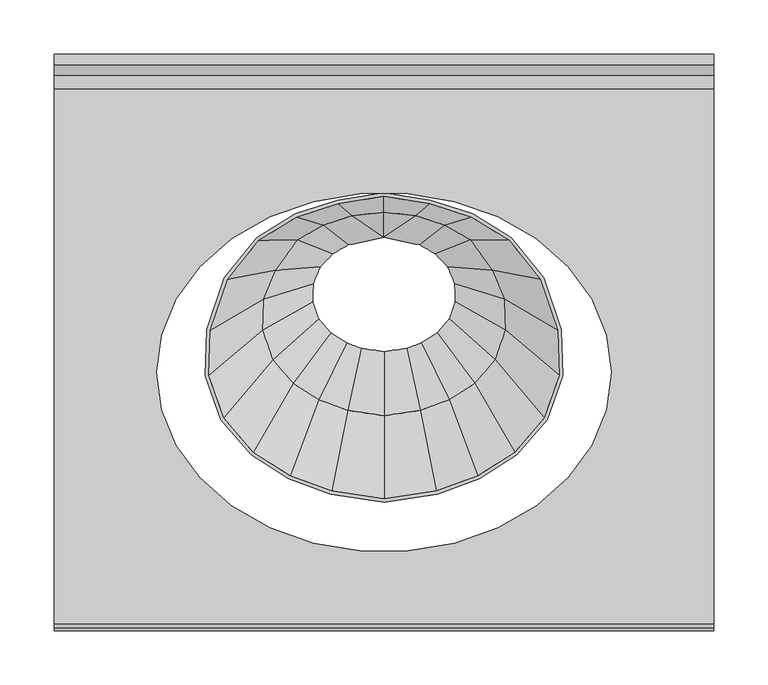
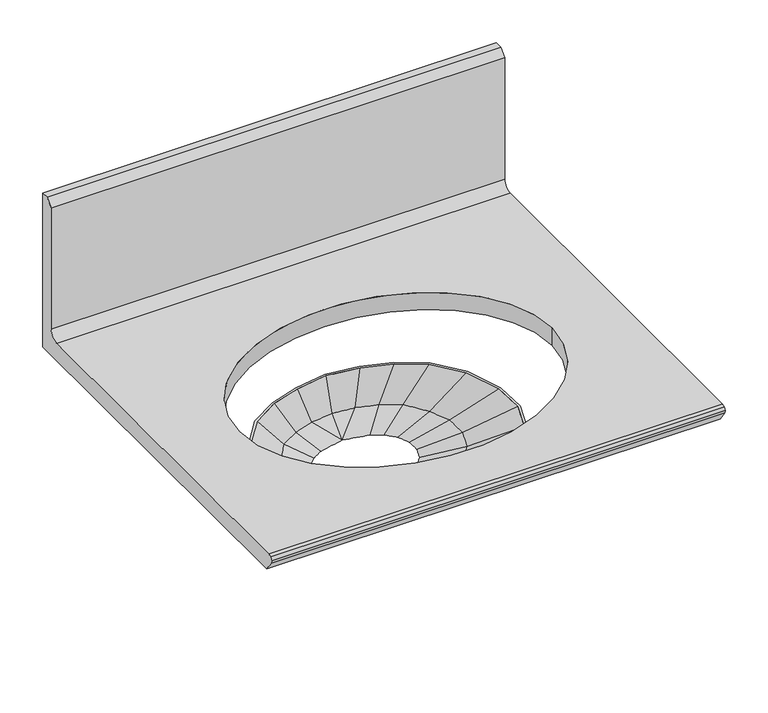
"""IFC4 building model written with IfcOpenShell, lengths in millimetres: furniture geometry."""

import ifcopenshell
import ifcopenshell.guid

model = None  # the IFC model being written
_history = None  # IfcOwnerHistory: only IFC2X3 demands one
_inside = {}  # id of a spatial element -> (the spatial element, [elements in it])
_under = {}  # id of a project, library or spatial element -> (it, [spatial elements below it])
_declared = {}  # id of a project -> (the project, [libraries it declares])
_typed = {}  # id of a type object -> (the type object, [elements of that type])
_made_of = {}  # id of a material, layer set ... -> (it, [elements and type objects made of it])


def new_model(schema):
    """Start an empty IFC model of exactly this schema.

    Asked for "IFC4X3", IfcOpenShell would pick the latest addendum, in which some entities
    have other attributes; the version numbers below select the first issue.
    IFC2X3 requires an IfcOwnerHistory on every rooted entity: one is made here for all.
    """
    global model, _history
    if schema == "IFC4X3":
        model = ifcopenshell.file(schema_version=(4, 3, 0, 0))
    else:
        model = ifcopenshell.file(schema=schema)
    _inside.clear()
    _under.clear()
    _declared.clear()
    _typed.clear()
    _made_of.clear()
    _history = None
    if model.schema == "IFC2X3":
        org = make("IfcOrganization", Name="unknown")
        user = make(
            "IfcPersonAndOrganization",
            ThePerson=make("IfcPerson", FamilyName="unknown"),
            TheOrganization=org,
        )
        app = make(
            "IfcApplication",
            ApplicationDeveloper=org,
            Version="unknown",
            ApplicationFullName="unknown",
            ApplicationIdentifier="unknown",
        )
        _history = make(
            "IfcOwnerHistory",
            OwningUser=user,
            OwningApplication=app,
            ChangeAction="ADDED",
            CreationDate=0,
        )
    return model


def make(cls, **values):
    """One entity of the class cls with the attributes given. An attribute that is None is left unset."""
    return model.create_entity(
        cls, **{name: value for name, value in values.items() if value is not None}
    )


def rooted(cls, **values):
    """An entity with a GlobalId (a new one), such as an element, a storey or a relation."""
    return make(cls, GlobalId=ifcopenshell.guid.new(), OwnerHistory=_history, **values)


def si_unit(unit_type, name, prefix=None):
    """IfcSIUnit, for example si_unit("LENGTHUNIT", "METRE", prefix="MILLI")."""
    return make("IfcSIUnit", UnitType=unit_type, Prefix=prefix, Name=name)


def assignment(units):
    """IfcUnitAssignment: the units of a project."""
    return None if units is None else make("IfcUnitAssignment", Units=units)


def point(xyz):
    """IfcCartesianPoint."""
    return None if xyz is None else make("IfcCartesianPoint", Coordinates=xyz)


def direction(xyz):
    """IfcDirection."""
    return None if xyz is None else make("IfcDirection", DirectionRatios=xyz)


def frame(location, z_axis=None, x_axis=None):
    """IfcAxis2Placement3D, a coordinate frame: its origin and axes. An axis left out is left unset."""
    return make(
        "IfcAxis2Placement3D",
        Location=point(location),
        Axis=direction(z_axis),
        RefDirection=direction(x_axis),
    )


def origin():
    """The frame at (0, 0, 0) with its axes left unset."""
    return frame((0.0, 0.0, 0.0))


def place(relative_to, where):
    """IfcLocalPlacement: puts the frame where relative to a parent placement (None: the world)."""
    return make(
        "IfcLocalPlacement", PlacementRelTo=relative_to, RelativePlacement=where
    )


def context(
    kind, dimensions, precision=None, world=None, true_north=None, identifier=None
):
    """IfcGeometricRepresentationContext, for example the 3D "Model" context."""
    return make(
        "IfcGeometricRepresentationContext",
        ContextIdentifier=identifier,
        ContextType=kind,
        CoordinateSpaceDimension=dimensions,
        Precision=precision,
        WorldCoordinateSystem=world,
        TrueNorth=true_north,
    )


def project(units=None, contexts=None):
    """IfcProject with its units and contexts."""
    return rooted(
        "IfcProject",
        Name="project",
        RepresentationContexts=contexts,
        UnitsInContext=assignment(units),
    )


def spatial(cls, under=None, at=None, **own):
    """A site, building, storey or space (cls), placed at a placement, below another one or the project."""
    s = rooted(cls, ObjectPlacement=at, **own)
    if under is not None:
        _under.setdefault(under.id(), (under, []))[1].append(s)
    return s


def polyline(points):
    """IfcPolyline through the points."""
    return make("IfcPolyline", Points=[point(p) for p in points])


def circle_curve(where, radius):
    """IfcCircle in the frame where."""
    return make("IfcCircle", Position=where, Radius=radius)


def ellipse_curve(where, semi_axis1, semi_axis2):
    """IfcEllipse in the frame where."""
    return make(
        "IfcEllipse", Position=where, SemiAxis1=semi_axis1, SemiAxis2=semi_axis2
    )


def trimmed(basis, trim1, trim2, sense, master):
    """IfcTrimmedCurve: the piece of a basis curve between two trims."""
    return make(
        "IfcTrimmedCurve",
        BasisCurve=basis,
        Trim1=trim1,
        Trim2=trim2,
        SenseAgreement=sense,
        MasterRepresentation=master,
    )


def shape(context_of_items, identifier, shape_type, items):
    """IfcShapeRepresentation: the items that make up one representation, for example the "Body"."""
    return make(
        "IfcShapeRepresentation",
        ContextOfItems=context_of_items,
        RepresentationIdentifier=identifier,
        RepresentationType=shape_type,
        Items=items,
    )


def source(mapping_origin, context_of_items, identifier, shape_type, items):
    """IfcRepresentationMap: a shape defined once, which mapped items show again and again."""
    return make(
        "IfcRepresentationMap",
        MappingOrigin=mapping_origin,
        MappedRepresentation=shape(context_of_items, identifier, shape_type, items),
    )


def transform(
    local_origin,
    x_axis=None,
    y_axis=None,
    z_axis=None,
    scale=None,
    scale2=None,
    scale3=None,
    uniform=True,
):
    """IfcCartesianTransformationOperator3D, or its non-uniform kind. x_axis, y_axis, z_axis: its Axis1, 2, 3."""
    if uniform:
        return make(
            "IfcCartesianTransformationOperator3D",
            Axis1=direction(x_axis),
            Axis2=direction(y_axis),
            LocalOrigin=point(local_origin),
            Scale=scale,
            Axis3=direction(z_axis),
        )
    return make(
        "IfcCartesianTransformationOperator3DnonUniform",
        Axis1=direction(x_axis),
        Axis2=direction(y_axis),
        LocalOrigin=point(local_origin),
        Scale=scale,
        Axis3=direction(z_axis),
        Scale2=scale2,
        Scale3=scale3,
    )


def mapped(mapping_source, mapping_target):
    """IfcMappedItem: shows the shape of a source again, moved by a transform."""
    return make(
        "IfcMappedItem", MappingSource=mapping_source, MappingTarget=mapping_target
    )


def made_of(thing, what):
    """Note that an element or type object is made of a material, layer set ...; save() writes the relation."""
    if what is not None:
        _made_of.setdefault(what.id(), (what, []))[1].append(thing)
    return thing


def element(
    cls,
    number,
    at=None,
    inside=None,
    cuts=None,
    type_object=None,
    material=None,
    context=None,
    identifier="Body",
    shape_type=None,
    held_by="IfcProductDefinitionShape",
    body=None,
    shapes=None,
    **own,
):
    """One element of the class cls, such as IfcWall. Its Tag is "e" and its number.

    at: its placement. inside: the storey or other place that contains it. cuts: it is an
    opening in that element (IfcRelVoidsElement). A single representation is given by context,
    identifier, shape_type and body (its items); several are given by shapes. held_by: the class
    of the entity that holds the representations. save() writes the other relations.
    """
    e = rooted(cls, Tag="e%d" % number, ObjectPlacement=at, **own)
    if body is not None:
        shapes = [shape(context, identifier, shape_type, body)]
    if shapes is not None:
        e.Representation = make(held_by, Representations=shapes)
    if inside is not None:
        _inside.setdefault(inside.id(), (inside, []))[1].append(e)
    if cuts is not None:
        rooted(
            "IfcRelVoidsElement", RelatingBuildingElement=cuts, RelatedOpeningElement=e
        )
    if type_object is not None:
        _typed.setdefault(type_object.id(), (type_object, []))[1].append(e)
    return made_of(e, material)


def aggregate(whole, parts):
    """IfcRelAggregates: a whole, such as a stair, and the parts it consists of."""
    return rooted("IfcRelAggregates", RelatingObject=whole, RelatedObjects=parts)


def save(model, path):
    """Write the relations noted so far, then the file.

    IfcRelAggregates (storeys below a building ...), IfcRelContainedInSpatialStructure (elements
    in a storey), IfcRelDefinesByType, IfcRelAssociatesMaterial and IfcRelDeclares: one each for
    every whole, place, type object, material and project.
    """
    for whole, parts in _under.values():
        aggregate(whole, parts)
    for where, things in _inside.values():
        rooted(
            "IfcRelContainedInSpatialStructure",
            RelatedElements=things,
            RelatingStructure=where,
        )
    for kind, things in _typed.values():
        rooted("IfcRelDefinesByType", RelatedObjects=things, RelatingType=kind)
    for what, things in _made_of.values():
        rooted("IfcRelAssociatesMaterial", RelatedObjects=things, RelatingMaterial=what)
    for by, libraries in _declared.values():
        rooted("IfcRelDeclares", RelatingContext=by, RelatedDefinitions=libraries)
    model.write(path)


def plane_surface(at):
    """IfcPlane: the flat surface through the origin of the frame at, square to its z axis."""
    return make("IfcPlane", Position=at)


def revolved_surface(curve, axis_point, axis_direction):
    """IfcSurfaceOfRevolution: the curve turned about the line through axis_point along axis_direction."""
    return make(
        "IfcSurfaceOfRevolution",
        SweptCurve=make("IfcArbitraryOpenProfileDef", ProfileType="CURVE", Curve=curve),
        AxisPosition=make("IfcAxis1Placement", Location=point(axis_point), Axis=direction(axis_direction)),
    )


def extruded_surface(curve, direction_of_extrusion, depth):
    """IfcSurfaceOfLinearExtrusion: the curve pushed along a direction by depth."""
    return make(
        "IfcSurfaceOfLinearExtrusion",
        SweptCurve=make("IfcArbitraryOpenProfileDef", ProfileType="CURVE", Curve=curve),
        ExtrudedDirection=direction(direction_of_extrusion),
        Depth=depth,
    )


def spline_surface(u_degree, v_degree, points, u_multiplicities, v_multiplicities, u_knots, v_knots, weights=None):
    """IfcBSplineSurfaceWithKnots; with weights, IfcRationalBSplineSurfaceWithKnots. points: one row for each step in u."""
    own = dict(
        UDegree=u_degree,
        VDegree=v_degree,
        ControlPointsList=[[point(p) for p in row] for row in points],
        SurfaceForm="UNSPECIFIED",
        UClosed=False,
        VClosed=False,
        SelfIntersect=False,
        UMultiplicities=u_multiplicities,
        VMultiplicities=v_multiplicities,
        UKnots=u_knots,
        VKnots=v_knots,
        KnotSpec="UNSPECIFIED",
    )
    if weights is None:
        return make("IfcBSplineSurfaceWithKnots", **own)
    return make("IfcRationalBSplineSurfaceWithKnots", WeightsData=weights, **own)


def advanced_brep(points, edges, surfaces, faces):
    """IfcAdvancedBrep: a solid bounded by faces that lie on surfaces and meet in shared edges.

    An edge is (start, end): straight between two places in points (the first is 0);
    or (start, end, curve); or (start, end, curve, False) where it runs against its curve.
    A face is (place in surfaces, loops), or (place, loops, False) where it looks against
    its surface's normal. A loop lists edges by number (the first is 1), with a minus sign
    where the edge is run from its end to its start. The first loop is the outer one.
    """
    corners = [point(p) for p in points]
    vertices = [make("IfcVertexPoint", VertexGeometry=c) for c in corners]
    made = []
    for start, end, *more in edges:
        made.append(
            make(
                "IfcEdgeCurve",
                EdgeStart=vertices[start],
                EdgeEnd=vertices[end],
                EdgeGeometry=more[0] if more else make("IfcPolyline", Points=[corners[start], corners[end]]),
                SameSense=more[1] if len(more) > 1 else True,
            )
        )
    hull = []
    for where, loops, *sense in faces:
        bounds = []
        for j, loop in enumerate(loops):
            ring = [make("IfcOrientedEdge", EdgeElement=made[abs(k) - 1], Orientation=k > 0) for k in loop]
            bounds.append(
                make(
                    "IfcFaceOuterBound" if j == 0 else "IfcFaceBound",
                    Bound=make("IfcEdgeLoop", EdgeList=ring),
                    Orientation=True,
                )
            )
        hull.append(make("IfcAdvancedFace", Bounds=bounds, FaceSurface=surfaces[where], SameSense=sense[0] if sense else True))
    return make("IfcAdvancedBrep", Outer=make("IfcClosedShell", CfsFaces=hull))


def furniture_1f9b704b(model_context):
    return source(origin(), model_context, "Body", "AdvancedBrep", [
        advanced_brep(
        [(-24.0597237, -137.2040855, 819.3162208), (-63.2346944, -149.7707967, 819.3162208), (-98.9866182, -171.7890657, 819.3162208), (-128.6446462, -208.6531673, 819.3162208), (-145.1728616, -256.6473671, 819.3162208), (-146.3564376, -299.5059975, 819.3162208), (-132.036772, -339.9189559, 819.3162208), (-104.1327431, -372.4708933, 819.3162208), (-69.1948502, -394.530557, 819.3162208), (-30.4469791, -408.8793178, 819.3162208), (18.7377049, -416.1178339, 819.3162208), (67.922389, -408.8793178, 819.3162208), (106.67026, -394.530557, 819.3162208), (141.6081529, -372.4708933, 819.3162208), (169.5121819, -339.9189559, 819.3162208), (183.8318474, -299.5059975, 819.3162208), (182.6482714, -256.6473671, 819.3162208), (166.1200561, -208.6531673, 819.3162208), (136.4620281, -171.7890657, 819.3162208), (100.7101042, -149.7707967, 819.3162208), (61.5351335, -137.2040855, 819.3162208), (18.7377049, -130.2570379, 819.3162208), (-96.8557965, -174.2055888, 819.3162208), (-61.897904, -152.6763339, 819.3162208), (-23.3163113, -140.2999691, 819.3162208), (18.7377049, -133.4735951, 819.3162208), (60.7917211, -140.2999691, 819.3162208), (99.3733139, -152.6763339, 819.3162208), (134.3312064, -174.2055888, 819.3162208), (163.2986505, -210.211314, 819.3162208), (179.4879095, -257.2212613, 819.3162208), (180.6417396, -299.0027578, 819.3162208), (166.7169206, -338.3013803, 819.3162208), (139.5087825, -370.041514, 819.3162208), (105.2561194, -391.668526, 819.3162208), (67.1313943, -405.7865291, 819.3162208), (18.7377049, -412.9086344, 819.3162208), (-29.6559845, -405.7865291, 819.3162208), (-67.7807095, -391.668526, 819.3162208), (-102.0333726, -370.041514, 819.3162208), (-129.2415108, -338.3013803, 819.3162208), (-143.1663298, -299.0027578, 819.3162208), (-142.0124997, -257.2212613, 819.3162208), (-125.8232407, -210.211314, 819.3162208), (-11.2204819, -148.2516761, 774.5552902), (18.7377049, -144.9912103, 774.5552902), (48.6958917, -148.2516761, 774.5552902), (76.1183822, -157.1578912, 774.5552902), (101.1447252, -171.4755492, 774.5552902), (121.9053403, -200.1338654, 774.5552902), (133.4750919, -227.8266336, 774.5552902), (134.3035933, -257.827673, 774.5552902), (124.279832, -286.116753, 774.5552902), (104.7470126, -308.9030801, 774.5552902), (80.290493, -324.3448701, 774.5552902), (53.1669669, -334.3889882, 774.5552902), (18.7377049, -339.455928, 774.5552902), (-15.6915571, -334.3889882, 774.5552902), (-42.8150832, -324.3448701, 774.5552902), (-67.2716028, -308.9030801, 774.5552902), (-86.8044221, -286.116753, 774.5552902), (-96.8281835, -257.827673, 774.5552902), (-95.9996821, -227.8266336, 774.5552902), (-84.4299304, -200.1338654, 774.5552902), (-63.6693154, -171.4755492, 774.5552902), (-38.6429723, -157.1578912, 774.5552902), (-37.3506682, -160.0764329, 774.5552902), (-61.4992053, -173.8918951, 774.5552902), (-81.6424408, -201.6979696, 774.5552902), (-92.8422098, -228.5051664, 774.5552902), (-93.6380757, -257.3244337, 774.5552902), (-84.009161, -284.4991768, 774.5552902), (-65.1722323, -306.4737013, 774.5552902), (-41.4009422, -321.4828391, 774.5552902), (-14.9005643, -331.296199, 774.5552902), (18.7377049, -336.2467287, 774.5552902), (52.3759741, -331.296199, 774.5552902), (78.876352, -321.4828391, 774.5552902), (102.6476421, -306.4737013, 774.5552902), (121.4845708, -284.4991768, 774.5552902), (131.1134855, -257.3244337, 774.5552902), (130.3176197, -228.5051664, 774.5552902), (119.1178506, -201.6979696, 774.5552902), (98.9746151, -173.8918951, 774.5552902), (74.826078, -160.0764329, 774.5552902), (48.026713, -151.3725951, 774.5552902), (18.7377049, -148.1849586, 774.5552902), (-10.5513032, -151.3725951, 774.5552902)],
        [
            (0, 1),
            (1, 2),
            (2, 3),
            (3, 4),
            (4, 5),
            (5, 6),
            (6, 7),
            (7, 8),
            (8, 9),
            (9, 10),
            (10, 11),
            (11, 12),
            (12, 13),
            (13, 14),
            (14, 15),
            (15, 16),
            (16, 17),
            (17, 18),
            (18, 19),
            (19, 20),
            (20, 21),
            (21, 0),
            (22, 23),
            (23, 24),
            (24, 25),
            (25, 26),
            (26, 27),
            (27, 28),
            (28, 29),
            (29, 30),
            (30, 31),
            (31, 32),
            (32, 33),
            (33, 34),
            (34, 35),
            (35, 36),
            (36, 37),
            (37, 38),
            (38, 39),
            (39, 40),
            (40, 41),
            (41, 42),
            (42, 43),
            (43, 22),
            (44, 45),
            (45, 46),
            (46, 47),
            (47, 48),
            (48, 49),
            (49, 50),
            (50, 51),
            (51, 52),
            (52, 53),
            (53, 54),
            (54, 55),
            (55, 56),
            (56, 57),
            (57, 58),
            (58, 59),
            (59, 60),
            (60, 61),
            (61, 62),
            (62, 63),
            (63, 64),
            (64, 65),
            (65, 44),
            (66, 67),
            (67, 68),
            (68, 69),
            (69, 70),
            (70, 71),
            (71, 72),
            (72, 73),
            (73, 74),
            (74, 75),
            (75, 76),
            (76, 77),
            (77, 78),
            (78, 79),
            (79, 80),
            (80, 81),
            (81, 82),
            (82, 83),
            (83, 84),
            (84, 85),
            (85, 86),
            (86, 87),
            (87, 66),
            (0, 44),
            (65, 1),
            (64, 2),
            (63, 3),
            (62, 4),
            (61, 5),
            (60, 6),
            (59, 7),
            (58, 8),
            (57, 9),
            (56, 10),
            (55, 11),
            (54, 12),
            (53, 13),
            (52, 14),
            (51, 15),
            (50, 16),
            (49, 17),
            (48, 18),
            (47, 19),
            (46, 20),
            (45, 21),
            (66, 23),
            (22, 67),
            (43, 68),
            (42, 69),
            (41, 70),
            (40, 71),
            (39, 72),
            (38, 73),
            (37, 74),
            (36, 75),
            (35, 76),
            (34, 77),
            (33, 78),
            (32, 79),
            (31, 80),
            (30, 81),
            (29, 82),
            (28, 83),
            (27, 84),
            (26, 85),
            (25, 86),
            (24, 87),
        ],
        [
            plane_surface(frame((18.7377049, -273.8688763, 819.3162208), z_axis=(0.0, 0.0, 1.0), x_axis=(-0.9522071549282068, -0.30545299819044175, 0.0))),
            plane_surface(frame((18.7377049, -241.6955045, 774.5552902), z_axis=(0.0, 0.0, -1.0), x_axis=(-0.9522071549282068, -0.30545299819044175, 0.0))),
            spline_surface(1, 1, [[(-11.2204819, -148.2516761, 774.5552902), (-24.0597237, -137.2040855, 819.3162208)], [(-38.6429723, -157.1578912, 774.5552902), (-63.2346944, -149.7707967, 819.3162208)]], [2, 2], [2, 2], [0.0, 1.0], [0.0, 1.0]),
            spline_surface(1, 1, [[(-38.6429723, -157.1578912, 774.5552902), (-63.2346944, -149.7707967, 819.3162208)], [(-63.6693154, -171.4755492, 774.5552902), (-98.9866182, -171.7890657, 819.3162208)]], [2, 2], [2, 2], [0.0, 1.0], [0.0, 1.0]),
            spline_surface(1, 1, [[(-63.6693154, -171.4755492, 774.5552902), (-98.9866182, -171.7890657, 819.3162208)], [(-84.4299304, -200.1338654, 774.5552902), (-128.6446462, -208.6531673, 819.3162208)]], [2, 2], [2, 2], [0.0, 1.0], [0.0, 1.0]),
            spline_surface(1, 1, [[(-84.4299304, -200.1338654, 774.5552902), (-128.6446462, -208.6531673, 819.3162208)], [(-95.9996821, -227.8266336, 774.5552902), (-145.1728616, -256.6473671, 819.3162208)]], [2, 2], [2, 2], [0.0, 1.0], [0.0, 1.0]),
            spline_surface(1, 1, [[(-95.9996821, -227.8266336, 774.5552902), (-145.1728616, -256.6473671, 819.3162208)], [(-96.8281835, -257.827673, 774.5552902), (-146.3564376, -299.5059975, 819.3162208)]], [2, 2], [2, 2], [0.0, 1.0], [0.0, 1.0]),
            spline_surface(1, 1, [[(-96.8281835, -257.827673, 774.5552902), (-146.3564376, -299.5059975, 819.3162208)], [(-86.8044221, -286.116753, 774.5552902), (-132.036772, -339.9189559, 819.3162208)]], [2, 2], [2, 2], [0.0, 1.0], [0.0, 1.0]),
            spline_surface(1, 1, [[(-86.8044221, -286.116753, 774.5552902), (-132.036772, -339.9189559, 819.3162208)], [(-67.2716028, -308.9030801, 774.5552902), (-104.1327431, -372.4708933, 819.3162208)]], [2, 2], [2, 2], [0.0, 1.0], [0.0, 1.0]),
            spline_surface(1, 1, [[(-67.2716028, -308.9030801, 774.5552902), (-104.1327431, -372.4708933, 819.3162208)], [(-42.8150832, -324.3448701, 774.5552902), (-69.1948502, -394.530557, 819.3162208)]], [2, 2], [2, 2], [0.0, 1.0], [0.0, 1.0]),
            spline_surface(1, 1, [[(-42.8150832, -324.3448701, 774.5552902), (-69.1948502, -394.530557, 819.3162208)], [(-15.6915571, -334.3889882, 774.5552902), (-30.4469791, -408.8793178, 819.3162208)]], [2, 2], [2, 2], [0.0, 1.0], [0.0, 1.0]),
            spline_surface(1, 1, [[(-15.6915571, -334.3889882, 774.5552902), (-30.4469791, -408.8793178, 819.3162208)], [(18.7377049, -339.455928, 774.5552902), (18.7377049, -416.1178339, 819.3162208)]], [2, 2], [2, 2], [0.0, 1.0], [0.0, 1.0]),
            spline_surface(1, 1, [[(18.7377049, -339.455928, 774.5552902), (18.7377049, -416.1178339, 819.3162208)], [(53.1669669, -334.3889882, 774.5552902), (67.922389, -408.8793178, 819.3162208)]], [2, 2], [2, 2], [0.0, 1.0], [0.0, 1.0]),
            spline_surface(1, 1, [[(53.1669669, -334.3889882, 774.5552902), (67.922389, -408.8793178, 819.3162208)], [(80.290493, -324.3448701, 774.5552902), (106.67026, -394.530557, 819.3162208)]], [2, 2], [2, 2], [0.0, 1.0], [0.0, 1.0]),
            spline_surface(1, 1, [[(80.290493, -324.3448701, 774.5552902), (106.67026, -394.530557, 819.3162208)], [(104.7470126, -308.9030801, 774.5552902), (141.6081529, -372.4708933, 819.3162208)]], [2, 2], [2, 2], [0.0, 1.0], [0.0, 1.0]),
            spline_surface(1, 1, [[(104.7470126, -308.9030801, 774.5552902), (141.6081529, -372.4708933, 819.3162208)], [(124.279832, -286.116753, 774.5552902), (169.5121819, -339.9189559, 819.3162208)]], [2, 2], [2, 2], [0.0, 1.0], [0.0, 1.0]),
            spline_surface(1, 1, [[(124.279832, -286.116753, 774.5552902), (169.5121819, -339.9189559, 819.3162208)], [(134.3035933, -257.827673, 774.5552902), (183.8318474, -299.5059975, 819.3162208)]], [2, 2], [2, 2], [0.0, 1.0], [0.0, 1.0]),
            spline_surface(1, 1, [[(134.3035933, -257.827673, 774.5552902), (183.8318474, -299.5059975, 819.3162208)], [(133.4750919, -227.8266336, 774.5552902), (182.6482714, -256.6473671, 819.3162208)]], [2, 2], [2, 2], [0.0, 1.0], [0.0, 1.0]),
            spline_surface(1, 1, [[(133.4750919, -227.8266336, 774.5552902), (182.6482714, -256.6473671, 819.3162208)], [(121.9053403, -200.1338654, 774.5552902), (166.1200561, -208.6531673, 819.3162208)]], [2, 2], [2, 2], [0.0, 1.0], [0.0, 1.0]),
            spline_surface(1, 1, [[(121.9053403, -200.1338654, 774.5552902), (166.1200561, -208.6531673, 819.3162208)], [(101.1447252, -171.4755492, 774.5552902), (136.4620281, -171.7890657, 819.3162208)]], [2, 2], [2, 2], [0.0, 1.0], [0.0, 1.0]),
            spline_surface(1, 1, [[(101.1447252, -171.4755492, 774.5552902), (136.4620281, -171.7890657, 819.3162208)], [(76.1183822, -157.1578912, 774.5552902), (100.7101042, -149.7707967, 819.3162208)]], [2, 2], [2, 2], [0.0, 1.0], [0.0, 1.0]),
            spline_surface(1, 1, [[(76.1183822, -157.1578912, 774.5552902), (100.7101042, -149.7707967, 819.3162208)], [(48.6958917, -148.2516761, 774.5552902), (61.5351335, -137.2040855, 819.3162208)]], [2, 2], [2, 2], [0.0, 1.0], [0.0, 1.0]),
            spline_surface(1, 1, [[(48.6958917, -148.2516761, 774.5552902), (61.5351335, -137.2040855, 819.3162208)], [(18.7377049, -144.9912103, 774.5552902), (18.7377049, -130.2570379, 819.3162208)]], [2, 2], [2, 2], [0.0, 1.0], [0.0, 1.0]),
            spline_surface(1, 1, [[(18.7377049, -144.9912103, 774.5552902), (18.7377049, -130.2570379, 819.3162208)], [(-11.2204819, -148.2516761, 774.5552902), (-24.0597237, -137.2040855, 819.3162208)]], [2, 2], [2, 2], [0.0, 1.0], [0.0, 1.0]),
            spline_surface(1, 1, [[(-37.3506682, -160.0764329, 774.5552902), (-61.4992053, -173.8918951, 774.5552902)], [(-61.897904, -152.6763339, 819.3162208), (-96.8557965, -174.2055888, 819.3162208)]], [2, 2], [2, 2], [0.0, 1.0], [0.0, 1.0]),
            spline_surface(1, 1, [[(-61.4992053, -173.8918951, 774.5552902), (-81.6424408, -201.6979696, 774.5552902)], [(-96.8557965, -174.2055888, 819.3162208), (-125.8232407, -210.211314, 819.3162208)]], [2, 2], [2, 2], [0.0, 1.0], [0.0, 1.0]),
            spline_surface(1, 1, [[(-81.6424408, -201.6979696, 774.5552902), (-92.8422098, -228.5051664, 774.5552902)], [(-125.8232407, -210.211314, 819.3162208), (-142.0124997, -257.2212613, 819.3162208)]], [2, 2], [2, 2], [0.0, 1.0], [0.0, 1.0]),
            spline_surface(1, 1, [[(-92.8422098, -228.5051664, 774.5552902), (-93.6380757, -257.3244337, 774.5552902)], [(-142.0124997, -257.2212613, 819.3162208), (-143.1663298, -299.0027578, 819.3162208)]], [2, 2], [2, 2], [0.0, 1.0], [0.0, 1.0]),
            spline_surface(1, 1, [[(-93.6380757, -257.3244337, 774.5552902), (-84.009161, -284.4991768, 774.5552902)], [(-143.1663298, -299.0027578, 819.3162208), (-129.2415108, -338.3013803, 819.3162208)]], [2, 2], [2, 2], [0.0, 1.0], [0.0, 1.0]),
            spline_surface(1, 1, [[(-84.009161, -284.4991768, 774.5552902), (-65.1722323, -306.4737013, 774.5552902)], [(-129.2415108, -338.3013803, 819.3162208), (-102.0333726, -370.041514, 819.3162208)]], [2, 2], [2, 2], [0.0, 1.0], [0.0, 1.0]),
            spline_surface(1, 1, [[(-65.1722323, -306.4737013, 774.5552902), (-41.4009422, -321.4828391, 774.5552902)], [(-102.0333726, -370.041514, 819.3162208), (-67.7807095, -391.668526, 819.3162208)]], [2, 2], [2, 2], [0.0, 1.0], [0.0, 1.0]),
            spline_surface(1, 1, [[(-41.4009422, -321.4828391, 774.5552902), (-14.9005643, -331.296199, 774.5552902)], [(-67.7807095, -391.668526, 819.3162208), (-29.6559845, -405.7865291, 819.3162208)]], [2, 2], [2, 2], [0.0, 1.0], [0.0, 1.0]),
            spline_surface(1, 1, [[(-14.9005643, -331.296199, 774.5552902), (18.7377049, -336.2467287, 774.5552902)], [(-29.6559845, -405.7865291, 819.3162208), (18.7377049, -412.9086344, 819.3162208)]], [2, 2], [2, 2], [0.0, 1.0], [0.0, 1.0]),
            spline_surface(1, 1, [[(18.7377049, -336.2467287, 774.5552902), (52.3759741, -331.296199, 774.5552902)], [(18.7377049, -412.9086344, 819.3162208), (67.1313943, -405.7865291, 819.3162208)]], [2, 2], [2, 2], [0.0, 1.0], [0.0, 1.0]),
            spline_surface(1, 1, [[(52.3759741, -331.296199, 774.5552902), (78.876352, -321.4828391, 774.5552902)], [(67.1313943, -405.7865291, 819.3162208), (105.2561194, -391.668526, 819.3162208)]], [2, 2], [2, 2], [0.0, 1.0], [0.0, 1.0]),
            spline_surface(1, 1, [[(78.876352, -321.4828391, 774.5552902), (102.6476421, -306.4737013, 774.5552902)], [(105.2561194, -391.668526, 819.3162208), (139.5087825, -370.041514, 819.3162208)]], [2, 2], [2, 2], [0.0, 1.0], [0.0, 1.0]),
            spline_surface(1, 1, [[(102.6476421, -306.4737013, 774.5552902), (121.4845708, -284.4991768, 774.5552902)], [(139.5087825, -370.041514, 819.3162208), (166.7169206, -338.3013803, 819.3162208)]], [2, 2], [2, 2], [0.0, 1.0], [0.0, 1.0]),
            spline_surface(1, 1, [[(121.4845708, -284.4991768, 774.5552902), (131.1134855, -257.3244337, 774.5552902)], [(166.7169206, -338.3013803, 819.3162208), (180.6417396, -299.0027578, 819.3162208)]], [2, 2], [2, 2], [0.0, 1.0], [0.0, 1.0]),
            spline_surface(1, 1, [[(131.1134855, -257.3244337, 774.5552902), (130.3176197, -228.5051664, 774.5552902)], [(180.6417396, -299.0027578, 819.3162208), (179.4879095, -257.2212613, 819.3162208)]], [2, 2], [2, 2], [0.0, 1.0], [0.0, 1.0]),
            spline_surface(1, 1, [[(130.3176197, -228.5051664, 774.5552902), (119.1178506, -201.6979696, 774.5552902)], [(179.4879095, -257.2212613, 819.3162208), (163.2986505, -210.211314, 819.3162208)]], [2, 2], [2, 2], [0.0, 1.0], [0.0, 1.0]),
            spline_surface(1, 1, [[(119.1178506, -201.6979696, 774.5552902), (98.9746151, -173.8918951, 774.5552902)], [(163.2986505, -210.211314, 819.3162208), (134.3312064, -174.2055888, 819.3162208)]], [2, 2], [2, 2], [0.0, 1.0], [0.0, 1.0]),
            spline_surface(1, 1, [[(98.9746151, -173.8918951, 774.5552902), (74.826078, -160.0764329, 774.5552902)], [(134.3312064, -174.2055888, 819.3162208), (99.3733139, -152.6763339, 819.3162208)]], [2, 2], [2, 2], [0.0, 1.0], [0.0, 1.0]),
            spline_surface(1, 1, [[(74.826078, -160.0764329, 774.5552902), (48.026713, -151.3725951, 774.5552902)], [(99.3733139, -152.6763339, 819.3162208), (60.7917211, -140.2999691, 819.3162208)]], [2, 2], [2, 2], [0.0, 1.0], [0.0, 1.0]),
            spline_surface(1, 1, [[(48.026713, -151.3725951, 774.5552902), (18.7377049, -148.1849586, 774.5552902)], [(60.7917211, -140.2999691, 819.3162208), (18.7377049, -133.4735951, 819.3162208)]], [2, 2], [2, 2], [0.0, 1.0], [0.0, 1.0]),
            spline_surface(1, 1, [[(18.7377049, -148.1849586, 774.5552902), (-10.5513032, -151.3725951, 774.5552902)], [(18.7377049, -133.4735951, 819.3162208), (-23.3163113, -140.2999691, 819.3162208)]], [2, 2], [2, 2], [0.0, 1.0], [0.0, 1.0]),
            spline_surface(1, 1, [[(-10.5513032, -151.3725951, 774.5552902), (-37.3506682, -160.0764329, 774.5552902)], [(-23.3163113, -140.2999691, 819.3162208), (-61.897904, -152.6763339, 819.3162208)]], [2, 2], [2, 2], [0.0, 1.0], [0.0, 1.0]),
        ],
        [
            (0, [[1, 2, 3, 4, 5, 6, 7, 8, 9, 10, 11, 12, 13, 14, 15, 16, 17, 18, 19, 20, 21, 22], [23, 24, 25, 26, 27, 28, 29, 30, 31, 32, 33, 34, 35, 36, 37, 38, 39, 40, 41, 42, 43, 44]]),
            (1, [[45, 46, 47, 48, 49, 50, 51, 52, 53, 54, 55, 56, 57, 58, 59, 60, 61, 62, 63, 64, 65, 66], [67, 68, 69, 70, 71, 72, 73, 74, 75, 76, 77, 78, 79, 80, 81, 82, 83, 84, 85, 86, 87, 88]]),
            (2, [[-1, 89, -66, 90]]),
            (3, [[-2, -90, -65, 91]]),
            (4, [[-3, -91, -64, 92]]),
            (5, [[-4, -92, -63, 93]]),
            (6, [[-5, -93, -62, 94]]),
            (7, [[-6, -94, -61, 95]]),
            (8, [[-7, -95, -60, 96]]),
            (9, [[-8, -96, -59, 97]]),
            (10, [[-9, -97, -58, 98]]),
            (11, [[-10, -98, -57, 99]]),
            (12, [[-11, -99, -56, 100]]),
            (13, [[-12, -100, -55, 101]]),
            (14, [[-13, -101, -54, 102]]),
            (15, [[-14, -102, -53, 103]]),
            (16, [[-15, -103, -52, 104]]),
            (17, [[-16, -104, -51, 105]]),
            (18, [[-17, -105, -50, 106]]),
            (19, [[-18, -106, -49, 107]]),
            (20, [[-19, -107, -48, 108]]),
            (21, [[-20, -108, -47, 109]]),
            (22, [[-21, -109, -46, 110]]),
            (23, [[-22, -110, -45, -89]]),
            (24, [[111, -23, 112, -67]]),
            (25, [[-112, -44, 113, -68]]),
            (26, [[-113, -43, 114, -69]]),
            (27, [[-114, -42, 115, -70]]),
            (28, [[-115, -41, 116, -71]]),
            (29, [[-116, -40, 117, -72]]),
            (30, [[-117, -39, 118, -73]]),
            (31, [[-118, -38, 119, -74]]),
            (32, [[-119, -37, 120, -75]]),
            (33, [[-120, -36, 121, -76]]),
            (34, [[-121, -35, 122, -77]]),
            (35, [[-122, -34, 123, -78]]),
            (36, [[-123, -33, 124, -79]]),
            (37, [[-124, -32, 125, -80]]),
            (38, [[-125, -31, 126, -81]]),
            (39, [[-126, -30, 127, -82]]),
            (40, [[-127, -29, 128, -83]]),
            (41, [[-128, -28, 129, -84]]),
            (42, [[-129, -27, 130, -85]]),
            (43, [[-130, -26, 131, -86]]),
            (44, [[-131, -25, 132, -87]]),
            (45, [[-111, -88, -132, -24]]),
        ],
    ),
        advanced_brep(
        [(-38.6429723, -157.1578912, 774.5552902), (-63.6693154, -171.4755492, 774.5552902), (-84.4299304, -200.1338654, 774.5552902), (-95.9996821, -227.8266336, 774.5552902), (-96.8281835, -257.827673, 774.5552902), (-86.8044221, -286.116753, 774.5552902), (-67.2716028, -308.9030801, 774.5552902), (-42.8150832, -324.3448701, 774.5552902), (-15.6915571, -334.3889882, 774.5552902), (18.7377049, -339.455928, 774.5552902), (53.1669669, -334.3889882, 774.5552902), (80.290493, -324.3448701, 774.5552902), (104.7470126, -308.9030801, 774.5552902), (124.279832, -286.116753, 774.5552902), (134.3035933, -257.827673, 774.5552902), (133.4750919, -227.8266336, 774.5552902), (121.9053403, -200.1338654, 774.5552902), (101.1447252, -171.4755492, 774.5552902), (76.1183822, -157.1578912, 774.5552902), (48.6958917, -148.2516761, 774.5552902), (18.7377049, -144.9912103, 774.5552902), (-11.2204819, -148.2516761, 774.5552902), (-61.4992053, -173.8918951, 774.5552902), (-37.3506682, -160.0764329, 774.5552902), (-10.5513032, -151.3725951, 774.5552902), (18.7377049, -148.1849586, 774.5552902), (48.026713, -151.3725951, 774.5552902), (74.826078, -160.0764329, 774.5552902), (98.9746151, -173.8918951, 774.5552902), (119.1178506, -201.6979696, 774.5552902), (130.3176197, -228.5051664, 774.5552902), (131.1134855, -257.3244337, 774.5552902), (121.4845708, -284.4991768, 774.5552902), (102.6476421, -306.4737013, 774.5552902), (78.876352, -321.4828391, 774.5552902), (52.3759741, -331.296199, 774.5552902), (18.7377049, -336.2467287, 774.5552902), (-14.9005643, -331.296199, 774.5552902), (-41.4009422, -321.4828391, 774.5552902), (-65.1722323, -306.4737013, 774.5552902), (-84.009161, -284.4991768, 774.5552902), (-93.6380757, -257.3244337, 774.5552902), (-92.8422098, -228.5051664, 774.5552902), (-81.6424408, -201.6979696, 774.5552902), (-15.5833152, -175.4794291, 750.7079192), (18.7377049, -168.1204068, 750.7079192), (53.058725, -175.4794291, 750.7079192), (68.0276878, -184.0432232, 750.7079192), (80.4452074, -197.0068215, 750.7079192), (87.3654064, -213.5706724, 750.7079192), (87.8609612, -231.5151439, 750.7079192), (81.8654696, -248.4356591, 750.7079192), (70.1823164, -262.0648054, 750.7079192), (54.6193719, -271.8912115, 750.7079192), (40.4246174, -277.1476864, 750.7079192), (18.7377049, -280.3393492, 750.7079192), (-2.9492076, -277.1476864, 750.7079192), (-17.1439621, -271.8912115, 750.7079192), (-32.7069066, -262.0648054, 750.7079192), (-44.3900597, -248.4356591, 750.7079192), (-50.3855513, -231.5151439, 750.7079192), (-49.8899966, -213.5706724, 750.7079192), (-42.9697976, -197.0068215, 750.7079192), (-30.5522779, -184.0432232, 750.7079192), (-14.4350781, -178.480392, 750.7079192), (-28.5770714, -186.5710742, 750.7079192), (-40.2680696, -198.7762011, 750.7079192), (-46.7325245, -214.2492051, 750.7079192), (-47.1954435, -231.0119058, 750.7079192), (-41.5947986, -246.8180821, 750.7079192), (-30.6075374, -259.6354257, 750.7079192), (-15.7298201, -269.0291811, 750.7079192), (-2.1582129, -274.0548976, 750.7079192), (18.7377049, -277.1301497, 750.7079192), (39.6336228, -274.0548976, 750.7079192), (53.2052299, -269.0291811, 750.7079192), (68.0829473, -259.6354257, 750.7079192), (79.0702084, -246.8180821, 750.7079192), (84.6708533, -231.0119058, 750.7079192), (84.2079343, -214.2492051, 750.7079192), (77.7434795, -198.7762011, 750.7079192), (66.0524813, -186.5710742, 750.7079192), (51.910488, -178.480392, 750.7079192), (18.7377049, -171.3675717, 750.7079192)],
        [
            (0, 1),
            (1, 2),
            (2, 3),
            (3, 4),
            (4, 5),
            (5, 6),
            (6, 7),
            (7, 8),
            (8, 9),
            (9, 10),
            (10, 11),
            (11, 12),
            (12, 13),
            (13, 14),
            (14, 15),
            (15, 16),
            (16, 17),
            (17, 18),
            (18, 19),
            (19, 20),
            (20, 21),
            (21, 0),
            (22, 23),
            (23, 24),
            (24, 25),
            (25, 26),
            (26, 27),
            (27, 28),
            (28, 29),
            (29, 30),
            (30, 31),
            (31, 32),
            (32, 33),
            (33, 34),
            (34, 35),
            (35, 36),
            (36, 37),
            (37, 38),
            (38, 39),
            (39, 40),
            (40, 41),
            (41, 42),
            (42, 43),
            (43, 22),
            (44, 45),
            (45, 46),
            (46, 47),
            (47, 48),
            (48, 49),
            (49, 50),
            (50, 51),
            (51, 52),
            (52, 53),
            (53, 54),
            (54, 55),
            (55, 56),
            (56, 57),
            (57, 58),
            (58, 59),
            (59, 60),
            (60, 61),
            (61, 62),
            (62, 63),
            (63, 44),
            (64, 65),
            (65, 66),
            (66, 67),
            (67, 68),
            (68, 69),
            (69, 70),
            (70, 71),
            (71, 72),
            (72, 73),
            (73, 74),
            (74, 75),
            (75, 76),
            (76, 77),
            (77, 78),
            (78, 79),
            (79, 80),
            (80, 81),
            (81, 82),
            (82, 83),
            (83, 64),
            (0, 44),
            (63, 1),
            (62, 2),
            (61, 3),
            (60, 4),
            (59, 5),
            (58, 6),
            (57, 7),
            (56, 8),
            (55, 9),
            (54, 10),
            (53, 11),
            (52, 12),
            (51, 13),
            (50, 14),
            (49, 15),
            (48, 16),
            (47, 17),
            (46, 18),
            (45, 19),
            (45, 20),
            (45, 21),
            (64, 23),
            (22, 65),
            (43, 66),
            (42, 67),
            (41, 68),
            (40, 69),
            (39, 70),
            (38, 71),
            (37, 72),
            (36, 73),
            (35, 74),
            (34, 75),
            (33, 76),
            (32, 77),
            (31, 78),
            (30, 79),
            (29, 80),
            (28, 81),
            (27, 82),
            (26, 83),
            (25, 83),
            (24, 83),
        ],
        [
            plane_surface(frame((18.7377049, -241.6955045, 774.5552902), z_axis=(0.0, 0.0, 1.0), x_axis=(-0.9941296915036737, -0.10819499281764651, 0.0))),
            plane_surface(frame((18.7377049, -228.538453, 750.7079192), z_axis=(0.0, 0.0, -1.0), x_axis=(-0.9941296915036737, -0.10819499281764651, 0.0))),
            spline_surface(1, 1, [[(-15.5833152, -175.4794291, 750.7079192), (-38.6429723, -157.1578912, 774.5552902)], [(-30.5522779, -184.0432232, 750.7079192), (-63.6693154, -171.4755492, 774.5552902)]], [2, 2], [2, 2], [0.0, 1.0], [0.0, 1.0]),
            spline_surface(1, 1, [[(-30.5522779, -184.0432232, 750.7079192), (-63.6693154, -171.4755492, 774.5552902)], [(-42.9697976, -197.0068215, 750.7079192), (-84.4299304, -200.1338654, 774.5552902)]], [2, 2], [2, 2], [0.0, 1.0], [0.0, 1.0]),
            spline_surface(1, 1, [[(-42.9697976, -197.0068215, 750.7079192), (-84.4299304, -200.1338654, 774.5552902)], [(-49.8899966, -213.5706724, 750.7079192), (-95.9996821, -227.8266336, 774.5552902)]], [2, 2], [2, 2], [0.0, 1.0], [0.0, 1.0]),
            spline_surface(1, 1, [[(-49.8899966, -213.5706724, 750.7079192), (-95.9996821, -227.8266336, 774.5552902)], [(-50.3855513, -231.5151439, 750.7079192), (-96.8281835, -257.827673, 774.5552902)]], [2, 2], [2, 2], [0.0, 1.0], [0.0, 1.0]),
            spline_surface(1, 1, [[(-50.3855513, -231.5151439, 750.7079192), (-96.8281835, -257.827673, 774.5552902)], [(-44.3900597, -248.4356591, 750.7079192), (-86.8044221, -286.116753, 774.5552902)]], [2, 2], [2, 2], [0.0, 1.0], [0.0, 1.0]),
            spline_surface(1, 1, [[(-44.3900597, -248.4356591, 750.7079192), (-86.8044221, -286.116753, 774.5552902)], [(-32.7069066, -262.0648054, 750.7079192), (-67.2716028, -308.9030801, 774.5552902)]], [2, 2], [2, 2], [0.0, 1.0], [0.0, 1.0]),
            spline_surface(1, 1, [[(-32.7069066, -262.0648054, 750.7079192), (-67.2716028, -308.9030801, 774.5552902)], [(-17.1439621, -271.8912115, 750.7079192), (-42.8150832, -324.3448701, 774.5552902)]], [2, 2], [2, 2], [0.0, 1.0], [0.0, 1.0]),
            spline_surface(1, 1, [[(-17.1439621, -271.8912115, 750.7079192), (-42.8150832, -324.3448701, 774.5552902)], [(-2.9492076, -277.1476864, 750.7079192), (-15.6915571, -334.3889882, 774.5552902)]], [2, 2], [2, 2], [0.0, 1.0], [0.0, 1.0]),
            spline_surface(1, 1, [[(-2.9492076, -277.1476864, 750.7079192), (-15.6915571, -334.3889882, 774.5552902)], [(18.7377049, -280.3393492, 750.7079192), (18.7377049, -339.455928, 774.5552902)]], [2, 2], [2, 2], [0.0, 1.0], [0.0, 1.0]),
            spline_surface(1, 1, [[(18.7377049, -280.3393492, 750.7079192), (18.7377049, -339.455928, 774.5552902)], [(40.4246174, -277.1476864, 750.7079192), (53.1669669, -334.3889882, 774.5552902)]], [2, 2], [2, 2], [0.0, 1.0], [0.0, 1.0]),
            spline_surface(1, 1, [[(40.4246174, -277.1476864, 750.7079192), (53.1669669, -334.3889882, 774.5552902)], [(54.6193719, -271.8912115, 750.7079192), (80.290493, -324.3448701, 774.5552902)]], [2, 2], [2, 2], [0.0, 1.0], [0.0, 1.0]),
            spline_surface(1, 1, [[(54.6193719, -271.8912115, 750.7079192), (80.290493, -324.3448701, 774.5552902)], [(70.1823164, -262.0648054, 750.7079192), (104.7470126, -308.9030801, 774.5552902)]], [2, 2], [2, 2], [0.0, 1.0], [0.0, 1.0]),
            spline_surface(1, 1, [[(70.1823164, -262.0648054, 750.7079192), (104.7470126, -308.9030801, 774.5552902)], [(81.8654696, -248.4356591, 750.7079192), (124.279832, -286.116753, 774.5552902)]], [2, 2], [2, 2], [0.0, 1.0], [0.0, 1.0]),
            spline_surface(1, 1, [[(81.8654696, -248.4356591, 750.7079192), (124.279832, -286.116753, 774.5552902)], [(87.8609612, -231.5151439, 750.7079192), (134.3035933, -257.827673, 774.5552902)]], [2, 2], [2, 2], [0.0, 1.0], [0.0, 1.0]),
            spline_surface(1, 1, [[(87.8609612, -231.5151439, 750.7079192), (134.3035933, -257.827673, 774.5552902)], [(87.3654064, -213.5706724, 750.7079192), (133.4750919, -227.8266336, 774.5552902)]], [2, 2], [2, 2], [0.0, 1.0], [0.0, 1.0]),
            spline_surface(1, 1, [[(87.3654064, -213.5706724, 750.7079192), (133.4750919, -227.8266336, 774.5552902)], [(80.4452074, -197.0068215, 750.7079192), (121.9053403, -200.1338654, 774.5552902)]], [2, 2], [2, 2], [0.0, 1.0], [0.0, 1.0]),
            spline_surface(1, 1, [[(80.4452074, -197.0068215, 750.7079192), (121.9053403, -200.1338654, 774.5552902)], [(68.0276878, -184.0432232, 750.7079192), (101.1447252, -171.4755492, 774.5552902)]], [2, 2], [2, 2], [0.0, 1.0], [0.0, 1.0]),
            spline_surface(1, 1, [[(68.0276878, -184.0432232, 750.7079192), (101.1447252, -171.4755492, 774.5552902)], [(53.058725, -175.4794291, 750.7079192), (76.1183822, -157.1578912, 774.5552902)]], [2, 2], [2, 2], [0.0, 1.0], [0.0, 1.0]),
            spline_surface(1, 1, [[(53.058725, -175.4794291, 750.7079192), (76.1183822, -157.1578912, 774.5552902)], [(18.7377049, -168.1204068, 750.7079192), (48.6958917, -148.2516761, 774.5552902)]], [2, 2], [2, 2], [0.0, 1.0], [0.0, 1.0]),
            plane_surface(frame((18.7377049, -168.1204068, 750.7079192), z_axis=(0.07788723354249719, 0.7156524478372029, -0.6941002469065375), x_axis=(-0.9941296915036737, 0.10819499281764651, 0.0))),
            plane_surface(frame((18.7377049, -168.1204068, 750.7079192), z_axis=(-0.07788723354249717, 0.7156524478372028, -0.6941002469065375), x_axis=(-0.9941296915036737, -0.10819499281764651, 0.0))),
            spline_surface(1, 1, [[(18.7377049, -168.1204068, 750.7079192), (-11.2204819, -148.2516761, 774.5552902)], [(-15.5833152, -175.4794291, 750.7079192), (-38.6429723, -157.1578912, 774.5552902)]], [2, 2], [2, 2], [0.0, 1.0], [0.0, 1.0]),
            spline_surface(1, 1, [[(-14.4350781, -178.480392, 750.7079192), (-28.5770714, -186.5710742, 750.7079192)], [(-37.3506682, -160.0764329, 774.5552902), (-61.4992053, -173.8918951, 774.5552902)]], [2, 2], [2, 2], [0.0, 1.0], [0.0, 1.0]),
            spline_surface(1, 1, [[(-28.5770714, -186.5710742, 750.7079192), (-40.2680696, -198.7762011, 750.7079192)], [(-61.4992053, -173.8918951, 774.5552902), (-81.6424408, -201.6979696, 774.5552902)]], [2, 2], [2, 2], [0.0, 1.0], [0.0, 1.0]),
            spline_surface(1, 1, [[(-40.2680696, -198.7762011, 750.7079192), (-46.7325245, -214.2492051, 750.7079192)], [(-81.6424408, -201.6979696, 774.5552902), (-92.8422098, -228.5051664, 774.5552902)]], [2, 2], [2, 2], [0.0, 1.0], [0.0, 1.0]),
            spline_surface(1, 1, [[(-46.7325245, -214.2492051, 750.7079192), (-47.1954435, -231.0119058, 750.7079192)], [(-92.8422098, -228.5051664, 774.5552902), (-93.6380757, -257.3244337, 774.5552902)]], [2, 2], [2, 2], [0.0, 1.0], [0.0, 1.0]),
            spline_surface(1, 1, [[(-47.1954435, -231.0119058, 750.7079192), (-41.5947986, -246.8180821, 750.7079192)], [(-93.6380757, -257.3244337, 774.5552902), (-84.009161, -284.4991768, 774.5552902)]], [2, 2], [2, 2], [0.0, 1.0], [0.0, 1.0]),
            spline_surface(1, 1, [[(-41.5947986, -246.8180821, 750.7079192), (-30.6075374, -259.6354257, 750.7079192)], [(-84.009161, -284.4991768, 774.5552902), (-65.1722323, -306.4737013, 774.5552902)]], [2, 2], [2, 2], [0.0, 1.0], [0.0, 1.0]),
            spline_surface(1, 1, [[(-30.6075374, -259.6354257, 750.7079192), (-15.7298201, -269.0291811, 750.7079192)], [(-65.1722323, -306.4737013, 774.5552902), (-41.4009422, -321.4828391, 774.5552902)]], [2, 2], [2, 2], [0.0, 1.0], [0.0, 1.0]),
            spline_surface(1, 1, [[(-15.7298201, -269.0291811, 750.7079192), (-2.1582129, -274.0548976, 750.7079192)], [(-41.4009422, -321.4828391, 774.5552902), (-14.9005643, -331.296199, 774.5552902)]], [2, 2], [2, 2], [0.0, 1.0], [0.0, 1.0]),
            spline_surface(1, 1, [[(-2.1582129, -274.0548976, 750.7079192), (18.7377049, -277.1301497, 750.7079192)], [(-14.9005643, -331.296199, 774.5552902), (18.7377049, -336.2467287, 774.5552902)]], [2, 2], [2, 2], [0.0, 1.0], [0.0, 1.0]),
            spline_surface(1, 1, [[(18.7377049, -277.1301497, 750.7079192), (39.6336228, -274.0548976, 750.7079192)], [(18.7377049, -336.2467287, 774.5552902), (52.3759741, -331.296199, 774.5552902)]], [2, 2], [2, 2], [0.0, 1.0], [0.0, 1.0]),
            spline_surface(1, 1, [[(39.6336228, -274.0548976, 750.7079192), (53.2052299, -269.0291811, 750.7079192)], [(52.3759741, -331.296199, 774.5552902), (78.876352, -321.4828391, 774.5552902)]], [2, 2], [2, 2], [0.0, 1.0], [0.0, 1.0]),
            spline_surface(1, 1, [[(53.2052299, -269.0291811, 750.7079192), (68.0829473, -259.6354257, 750.7079192)], [(78.876352, -321.4828391, 774.5552902), (102.6476421, -306.4737013, 774.5552902)]], [2, 2], [2, 2], [0.0, 1.0], [0.0, 1.0]),
            spline_surface(1, 1, [[(68.0829473, -259.6354257, 750.7079192), (79.0702084, -246.8180821, 750.7079192)], [(102.6476421, -306.4737013, 774.5552902), (121.4845708, -284.4991768, 774.5552902)]], [2, 2], [2, 2], [0.0, 1.0], [0.0, 1.0]),
            spline_surface(1, 1, [[(79.0702084, -246.8180821, 750.7079192), (84.6708533, -231.0119058, 750.7079192)], [(121.4845708, -284.4991768, 774.5552902), (131.1134855, -257.3244337, 774.5552902)]], [2, 2], [2, 2], [0.0, 1.0], [0.0, 1.0]),
            spline_surface(1, 1, [[(84.6708533, -231.0119058, 750.7079192), (84.2079343, -214.2492051, 750.7079192)], [(131.1134855, -257.3244337, 774.5552902), (130.3176197, -228.5051664, 774.5552902)]], [2, 2], [2, 2], [0.0, 1.0], [0.0, 1.0]),
            spline_surface(1, 1, [[(84.2079343, -214.2492051, 750.7079192), (77.7434795, -198.7762011, 750.7079192)], [(130.3176197, -228.5051664, 774.5552902), (119.1178506, -201.6979696, 774.5552902)]], [2, 2], [2, 2], [0.0, 1.0], [0.0, 1.0]),
            spline_surface(1, 1, [[(77.7434795, -198.7762011, 750.7079192), (66.0524813, -186.5710742, 750.7079192)], [(119.1178506, -201.6979696, 774.5552902), (98.9746151, -173.8918951, 774.5552902)]], [2, 2], [2, 2], [0.0, 1.0], [0.0, 1.0]),
            spline_surface(1, 1, [[(66.0524813, -186.5710742, 750.7079192), (51.910488, -178.480392, 750.7079192)], [(98.9746151, -173.8918951, 774.5552902), (74.826078, -160.0764329, 774.5552902)]], [2, 2], [2, 2], [0.0, 1.0], [0.0, 1.0]),
            spline_surface(1, 1, [[(51.910488, -178.480392, 750.7079192), (18.7377049, -171.3675717, 750.7079192)], [(74.826078, -160.0764329, 774.5552902), (48.026713, -151.3725951, 774.5552902)]], [2, 2], [2, 2], [0.0, 1.0], [0.0, 1.0]),
            plane_surface(frame((18.7377049, -171.3675717, 750.7079192), z_axis=(-0.07780061665846365, -0.7148565846095196, 0.6949295845536981), x_axis=(-0.9941296915036737, 0.10819499281764616, 0.0))),
            plane_surface(frame((18.7377049, -171.3675717, 750.7079192), z_axis=(0.07780061665846368, -0.7148565846095198, 0.694929584553698), x_axis=(-0.9941296915036737, -0.10819499281764616, 0.0))),
            spline_surface(1, 1, [[(18.7377049, -171.3675717, 750.7079192), (-14.4350781, -178.480392, 750.7079192)], [(-10.5513032, -151.3725951, 774.5552902), (-37.3506682, -160.0764329, 774.5552902)]], [2, 2], [2, 2], [0.0, 1.0], [0.0, 1.0]),
        ],
        [
            (0, [[1, 2, 3, 4, 5, 6, 7, 8, 9, 10, 11, 12, 13, 14, 15, 16, 17, 18, 19, 20, 21, 22], [23, 24, 25, 26, 27, 28, 29, 30, 31, 32, 33, 34, 35, 36, 37, 38, 39, 40, 41, 42, 43, 44]]),
            (1, [[45, 46, 47, 48, 49, 50, 51, 52, 53, 54, 55, 56, 57, 58, 59, 60, 61, 62, 63, 64], [65, 66, 67, 68, 69, 70, 71, 72, 73, 74, 75, 76, 77, 78, 79, 80, 81, 82, 83, 84]]),
            (2, [[-1, 85, -64, 86]]),
            (3, [[-2, -86, -63, 87]]),
            (4, [[-3, -87, -62, 88]]),
            (5, [[-4, -88, -61, 89]]),
            (6, [[-5, -89, -60, 90]]),
            (7, [[-6, -90, -59, 91]]),
            (8, [[-7, -91, -58, 92]]),
            (9, [[-8, -92, -57, 93]]),
            (10, [[-9, -93, -56, 94]]),
            (11, [[-10, -94, -55, 95]]),
            (12, [[-11, -95, -54, 96]]),
            (13, [[-12, -96, -53, 97]]),
            (14, [[-13, -97, -52, 98]]),
            (15, [[-14, -98, -51, 99]]),
            (16, [[-15, -99, -50, 100]]),
            (17, [[-16, -100, -49, 101]]),
            (18, [[-17, -101, -48, 102]]),
            (19, [[-18, -102, -47, 103]]),
            (20, [[-19, -103, -46, 104]]),
            (21, [[-20, -104, 105]]),
            (22, [[-21, -105, 106]]),
            (23, [[-22, -106, -45, -85]]),
            (24, [[107, -23, 108, -65]]),
            (25, [[-108, -44, 109, -66]]),
            (26, [[-109, -43, 110, -67]]),
            (27, [[-110, -42, 111, -68]]),
            (28, [[-111, -41, 112, -69]]),
            (29, [[-112, -40, 113, -70]]),
            (30, [[-113, -39, 114, -71]]),
            (31, [[-114, -38, 115, -72]]),
            (32, [[-115, -37, 116, -73]]),
            (33, [[-116, -36, 117, -74]]),
            (34, [[-117, -35, 118, -75]]),
            (35, [[-118, -34, 119, -76]]),
            (36, [[-119, -33, 120, -77]]),
            (37, [[-120, -32, 121, -78]]),
            (38, [[-121, -31, 122, -79]]),
            (39, [[-122, -30, 123, -80]]),
            (40, [[-123, -29, 124, -81]]),
            (41, [[-124, -28, 125, -82]]),
            (42, [[-125, -27, 126, -83]]),
            (43, [[-126, -26, 127]]),
            (44, [[-127, -25, 128]]),
            (45, [[-107, -84, -128, -24]]),
        ],
    ),
        advanced_brep(
        [(-286.0622951, -2.2064662, 887.4958437), (-286.0622951, -523.6076217, 887.4958437), (-286.0622951, -533.6823104, 901.8839826), (-286.0622951, -534.8127162, 906.2290464), (-286.0622951, -532.6606068, 910.2974589), (-286.0622951, -528.4854264, 911.8984788), (-286.0622951, -34.4931938, 911.8984788), (-286.0622951, -21.75256, 924.6391126), (-286.0622951, -21.75256, 1096.794448), (-286.0622951, -12.2390513, 1106.3079192), (-286.0622951, -2.2064662, 1106.3079192), (323.5377049, -2.2064663, 887.4958437), (323.5377049, -2.2064663, 1106.3079192), (323.5377049, -12.2390513, 1106.3079192), (323.5377049, -21.75256, 1096.794448), (323.5377049, -21.75256, 924.6391126), (323.5377049, -34.4931938, 911.8984788), (323.5377049, -528.4854264, 911.8984788), (323.5377049, -532.6606068, 910.2974589), (323.5377049, -534.8127163, 906.2290464), (323.5377049, -533.6823104, 901.8839826), (323.5377049, -523.6076217, 887.4958437), (-191.2700757, -296.2032184, 887.4958437), (228.7454855, -296.2032184, 887.4958437), (228.7454855, -296.2032184, 911.8984788), (-191.2700757, -296.2032184, 911.8984788)],
        [
            (0, 1),
            (1, 2),
            (2, 3),
            (3, 4),
            (4, 5),
            (5, 6),
            (6, 7, circle_curve(frame((-286.0622951, -34.4931938, 924.6391126), z_axis=(1.0, 0.0, 0.0), x_axis=(0.0, -1.0, 0.0)), 12.7406338)),
            (7, 8),
            (8, 9),
            (9, 10),
            (10, 0),
            (11, 12),
            (12, 13),
            (13, 14),
            (14, 15),
            (15, 16, circle_curve(frame((323.5377049, -34.4931938, 924.6391126), z_axis=(-1.0, 0.0, 0.0), x_axis=(0.0, -1.0, 0.0)), 12.7406338)),
            (16, 17),
            (17, 18),
            (18, 19),
            (19, 20),
            (20, 21),
            (21, 11),
            (0, 11),
            (21, 1),
            (22, 23, ellipse_curve(frame((18.7377049, -296.2032184, 887.4958437), z_axis=(0.0, 0.0, 1.0), x_axis=(1.0, 0.0, 0.0)), 210.0077806, 165.8793926)),
            (23, 22, ellipse_curve(frame((18.7377049, -296.2032184, 887.4958437), z_axis=(0.0, 0.0, 1.0), x_axis=(1.0, 0.0, 0.0)), 210.0077806, 165.8793926)),
            (5, 17),
            (16, 6),
            (24, 25, ellipse_curve(frame((18.7377049, -296.2032184, 911.8984788), z_axis=(0.0, 0.0, -1.0), x_axis=(1.0, 0.0, 0.0)), 210.0077806, 165.8793926)),
            (25, 24, ellipse_curve(frame((18.7377049, -296.2032184, 911.8984788), z_axis=(0.0, 0.0, -1.0), x_axis=(1.0, 0.0, 0.0)), 210.0077806, 165.8793926)),
            (7, 15),
            (14, 8),
            (9, 13),
            (12, 10),
            (20, 2),
            (19, 3),
            (18, 4),
            (22, 25),
            (24, 23),
        ],
        [
            plane_surface(frame((-286.0622951, -2.2064662, 887.4958437), z_axis=(-1.0, 0.0, 0.0), x_axis=(0.0, -1.0, 0.0))),
            plane_surface(frame((323.5377049, -2.2064663, 887.4958437), z_axis=(1.0, 0.0, 0.0), x_axis=(0.0, 1.0, 0.0))),
            plane_surface(frame((-286.0622951, -2.2064662, 887.4958437), z_axis=(0.0, 0.0, -1.0), x_axis=(1.0, 0.0, 0.0))),
            plane_surface(frame((-286.0622951, -528.4854264, 911.8984788), z_axis=(0.0, 0.0, 1.0), x_axis=(1.0, 0.0, 0.0))),
            plane_surface(frame((-286.0622951, -21.75256, 924.6391126), z_axis=(0.0, -1.0, 0.0), x_axis=(1.0, 0.0, 0.0))),
            plane_surface(frame((-286.0622951, -12.2390513, 1106.3079192), z_axis=(0.0, 0.0, 1.0), x_axis=(1.0, 0.0, 0.0))),
            plane_surface(frame((-286.0622951, -2.2064662, 1106.3079192), z_axis=(0.0, 1.0, 0.0), x_axis=(1.0, 0.0, 0.0))),
            revolved_surface(polyline([(323.5377049, -47.2338276, 924.6391126), (-286.0622950999999, -47.2338276, 924.6391126)]), (323.5377049, -34.4931938, 924.6391126), (1.0, 0.0, 0.0)),
            plane_surface(frame((-286.0622951, -523.6076217, 887.4958437), z_axis=(0.0, -0.8191518980959155, -0.5735766451363402), x_axis=(1.0, 0.0, 0.0))),
            plane_surface(frame((-286.0622951, -533.6823104, 901.8839826), z_axis=(0.0, -0.9677851100327822, -0.2517776415785078), x_axis=(1.0, 0.0, 0.0))),
            plane_surface(frame((-286.0622951, -534.8127162, 906.2290464), z_axis=(0.0, -0.8839456336638805, 0.4675896884305309), x_axis=(1.0, 0.0, 0.0))),
            plane_surface(frame((-286.0622951, -532.6606068, 910.2974589), z_axis=(0.0, -0.358040142058586, 0.9337061939789559), x_axis=(1.0, 0.0, 0.0))),
            plane_surface(frame((-286.0622951, -21.75256, 1096.794448), z_axis=(0.0, -0.7071053902793355, 0.7071081720910235), x_axis=(1.0, 0.0, 0.0))),
            extruded_surface(trimmed(ellipse_curve(frame((18.7377049, -296.2032184, 750.7079192), z_axis=(0.0, 0.0, 1.0), x_axis=(1.0, 0.0, 0.0)), 210.0077806, 165.8793926), [point((-191.2700757, -296.2032184, 750.7079192))], [point((228.7454855, -296.2032184, 750.7079192))], True, "CARTESIAN"), (0.0, 0.0, -177.79999999999995), 177.79999999999995),
            extruded_surface(trimmed(ellipse_curve(frame((18.7377049, -296.2032184, 750.7079192), z_axis=(0.0, 0.0, 1.0), x_axis=(1.0, 0.0, 0.0)), 210.0077806, 165.8793926), [point((228.7454855, -296.2032184, 750.7079192))], [point((-191.2700757, -296.2032184, 750.7079192))], True, "CARTESIAN"), (0.0, 0.0, -177.79999999999995), 177.79999999999995),
        ],
        [
            (0, [[1, 2, 3, 4, 5, 6, 7, 8, 9, 10, 11]]),
            (1, [[12, 13, 14, 15, 16, 17, 18, 19, 20, 21, 22]]),
            (2, [[-1, 23, -22, 24], [25, 26]]),
            (3, [[-6, 27, -17, 28], [29, 30]]),
            (4, [[-8, 31, -15, 32]]),
            (5, [[-10, 33, -13, 34]]),
            (6, [[-11, -34, -12, -23]]),
            (7, [[-7, -28, -16, -31]]),
            (8, [[-2, -24, -21, 35]]),
            (9, [[-3, -35, -20, 36]]),
            (10, [[-4, -36, -19, 37]]),
            (11, [[-5, -37, -18, -27]]),
            (12, [[-9, -32, -14, -33]]),
            (13, [[38, -29, 39, -25]]),
            (14, [[-38, -26, -39, -30]]),
        ],
    ),
    ])


if __name__ == "__main__":
    model = new_model("IFC4")
    model_context = context("Model", 3, world=origin())
    ifc_project = project(units=[si_unit("LENGTHUNIT", "METRE", prefix="MILLI")], contexts=[model_context])
    site = spatial("IfcSite", under=ifc_project)
    building = spatial("IfcBuilding", under=site)
    placement = place(None, origin())
    furniture_shape = furniture_1f9b704b(model_context)
    element("IfcFurniture", 1, at=placement, inside=building, context=model_context, shape_type="MappedRepresentation", body=[
        mapped(furniture_shape, transform((0.0, 0.0, 0.0), x_axis=(1.0, 0.0, 0.0), y_axis=(0.0, 1.0, 0.0), z_axis=(0.0, 0.0, 1.0))),
    ])
    save(model, "model.ifc")
